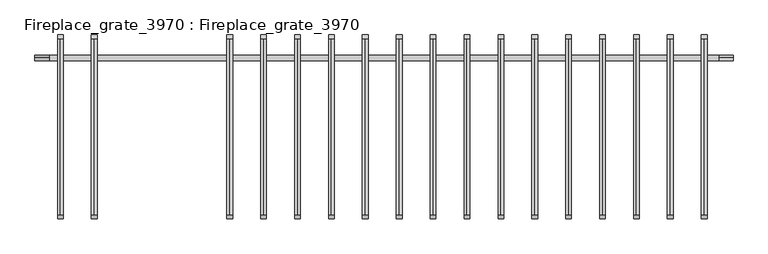
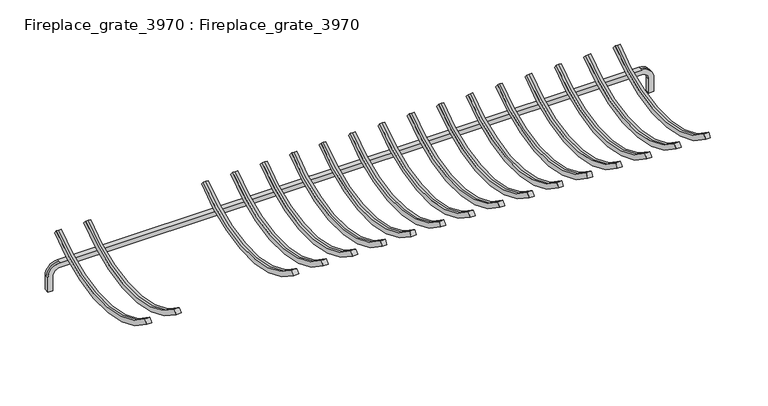
"""IFC4 building model written with IfcOpenShell, lengths in millimetres: proxy geometry, Fireplace_grate_3970 : Fireplace_grate_3970."""

from ifc_helpers import new_model, si_unit, frame, origin, place, context, project, spatial, polyline, circle_curve, source, transform, mapped, element, save
from ifc_brep_helpers import plane_surface, cylinder_surface, revolved_surface, advanced_brep


def fireplace_grate_3970_fireplace_grate_3970_47005f4a(model_context):
    return source(origin(), model_context, "Body", "AdvancedBrep", [
        advanced_brep(
        [(-209.55, 301.15, 0.0), (-209.55, 313.85, 0.0), (-196.85, 313.85, 0.0), (-196.85, 301.15, 0.0), (-209.55, 313.85, 38.1), (-177.8, 313.85, 69.85), (1328.6, 313.85, 69.85), (1360.35, 313.85, 38.1), (1360.35, 313.85, 0.0), (1347.65, 313.85, 0.0), (1347.65, 313.85, 38.1), (1328.6, 313.85, 57.15), (-177.8, 313.85, 57.15), (-196.85, 313.85, 38.1), (-196.85, 301.15, 38.1), (-177.8, 301.15, 57.15), (1328.6, 301.15, 57.15), (1347.65, 301.15, 38.1), (1347.65, 301.15, 0.0), (1360.35, 301.15, 0.0), (1360.35, 301.15, 38.1), (1328.6, 301.15, 69.85), (-177.8, 301.15, 69.85), (-209.55, 301.15, 38.1), (-209.55, 307.5, 38.1), (-177.8, 307.5, 69.85), (1328.6, 307.5, 69.85), (1360.35, 307.5, 38.1)],
        [
            (0, 1),
            (1, 2),
            (2, 3),
            (3, 0),
            (1, 4),
            (4, 5, circle_curve(frame((-177.8, 313.85, 38.1), z_axis=(0.0, 1.0, 0.0), x_axis=(-1.0, 0.0, 0.0)), 31.75)),
            (5, 6),
            (6, 7, circle_curve(frame((1328.6, 313.85, 38.1), z_axis=(0.0, 1.0, 0.0), x_axis=(0.0, 0.0, 1.0)), 31.75)),
            (7, 8),
            (8, 9),
            (9, 10),
            (10, 11, circle_curve(frame((1328.6, 313.85, 38.1), z_axis=(0.0, -1.0, 0.0), x_axis=(0.0, 0.0, 1.0)), 19.05)),
            (11, 12),
            (12, 13, circle_curve(frame((-177.8, 313.85, 38.1), z_axis=(0.0, -1.0, 0.0), x_axis=(-1.0, 0.0, 0.0)), 19.05)),
            (13, 2),
            (13, 14),
            (14, 3),
            (14, 15, circle_curve(frame((-177.8, 301.15, 38.1), z_axis=(0.0, 1.0, 0.0), x_axis=(-1.0, 0.0, 0.0)), 19.05)),
            (15, 16),
            (16, 17, circle_curve(frame((1328.6, 301.15, 38.1), z_axis=(0.0, 1.0, 0.0), x_axis=(0.0, 0.0, 1.0)), 19.05)),
            (17, 18),
            (18, 19),
            (19, 20),
            (20, 21, circle_curve(frame((1328.6, 301.15, 38.1), z_axis=(0.0, -1.0, 0.0), x_axis=(0.0, 0.0, 1.0)), 31.75)),
            (21, 22),
            (22, 23, circle_curve(frame((-177.8, 301.15, 38.1), z_axis=(0.0, -1.0, 0.0), x_axis=(-1.0, 0.0, 0.0)), 31.75)),
            (23, 0),
            (23, 24),
            (24, 4),
            (12, 15),
            (25, 24, circle_curve(frame((-177.8, 307.5, 38.1), z_axis=(0.0, -1.0, 0.0), x_axis=(-1.0, 0.0, 0.0)), 31.75)),
            (22, 25),
            (25, 5),
            (11, 16),
            (21, 26),
            (26, 6),
            (10, 17),
            (27, 26, circle_curve(frame((1328.6, 307.5, 38.1), z_axis=(0.0, -1.0, 0.0), x_axis=(0.0, 0.0, 1.0)), 31.75)),
            (20, 27),
            (27, 7),
            (8, 19),
            (18, 9),
        ],
        [
            plane_surface(frame((-203.2, 307.5, 0.0), z_axis=(0.0, 0.0, -1.0), x_axis=(0.0, -1.0, 0.0))),
            plane_surface(frame((-209.55, 313.85, 0.0), z_axis=(0.0, 1.0, 0.0), x_axis=(0.0, 0.0, 1.0))),
            plane_surface(frame((-196.85, 313.85, 0.0), z_axis=(1.0, 0.0, 0.0), x_axis=(0.0, 0.0, 1.0))),
            plane_surface(frame((-196.85, 301.15, 0.0), z_axis=(0.0, -1.0, 0.0), x_axis=(0.0, 0.0, 1.0))),
            plane_surface(frame((-209.55, 307.5, 0.0), z_axis=(-1.0, 0.0, 0.0), x_axis=(0.0, 0.0, 1.0))),
            revolved_surface(polyline([(-196.85000000000002, 313.85, 38.1), (-196.85000000000002, 301.15, 38.1)]), (-177.8, 307.5, 38.1), (0.0, 1.0, 0.0)),
            cylinder_surface(frame((-177.8, 307.5, 38.1), z_axis=(0.0, 1.0, 0.0), x_axis=(-1.0, 0.0, 0.0)), 31.75),
            plane_surface(frame((-177.8, 313.85, 57.15), z_axis=(0.0, 0.0, -1.0), x_axis=(1.0, 0.0, 0.0))),
            plane_surface(frame((-177.8, 307.5, 69.85), z_axis=(0.0, 0.0, 1.0), x_axis=(1.0, 0.0, 0.0))),
            revolved_surface(polyline([(1328.6, 313.85, 57.150000000000006), (1328.6, 301.15, 57.150000000000006)]), (1328.6, 307.5, 38.1), (0.0, 1.0, 0.0)),
            cylinder_surface(frame((1328.6, 307.5, 38.1), z_axis=(0.0, 1.0, 0.0), x_axis=(0.0, 0.0, 1.0)), 31.75),
            plane_surface(frame((1354.0, 307.5, 0.0), z_axis=(0.0, 0.0, -1.0), x_axis=(0.0, -1.0, 0.0))),
            plane_surface(frame((1347.65, 313.85, 38.1), z_axis=(-1.0, 0.0, 0.0), x_axis=(0.0, 0.0, -1.0))),
            plane_surface(frame((1360.35, 307.5, 38.1), z_axis=(1.0, 0.0, 0.0), x_axis=(0.0, 0.0, -1.0))),
        ],
        [
            (0, [[1, 2, 3, 4]]),
            (1, [[-2, 5, 6, 7, 8, 9, 10, 11, 12, 13, 14, 15]]),
            (2, [[-3, -15, 16, 17]]),
            (3, [[-4, -17, 18, 19, 20, 21, 22, 23, 24, 25, 26, 27]]),
            (4, [[-27, 28, 29, -5, -1]]),
            (5, [[-18, -16, -14, 30]]),
            (6, [[31, -28, -26, 32]]),
            (6, [[-6, -29, -31, 33]]),
            (7, [[-30, -13, 34, -19]]),
            (8, [[-33, -32, -25, 35, 36, -7]]),
            (9, [[-20, -34, -12, 37]]),
            (10, [[38, -35, -24, 39]]),
            (10, [[-8, -36, -38, 40]]),
            (11, [[41, -22, 42, -10]]),
            (12, [[-37, -11, -42, -21]]),
            (13, [[-40, -39, -23, -41, -9]]),
        ],
    ),
        advanced_brep(
        [(1301.75, -46.4131906, 119.6971748), (1295.4, -46.4131906, 119.6971748), (1289.05, -46.4131906, 119.6971748), (1289.05, -54.5280147, 109.927854), (1301.75, -54.5280147, 109.927854), (1301.75, 351.2131906, 119.6971748), (1301.75, 359.3280147, 109.927854), (1289.05, 359.3280147, 109.927854), (1289.05, 351.2131906, 119.6971748), (1295.4, 351.2131906, 119.6971748)],
        [
            (0, 1),
            (1, 2),
            (2, 3),
            (3, 4),
            (4, 0),
            (5, 6),
            (6, 7),
            (7, 8),
            (8, 9),
            (9, 5),
            (9, 1, circle_curve(frame((1295.4, 152.4, 359.0455355), z_axis=(-1.0, 0.0, 0.0), x_axis=(0.0, -0.6389625279221011, -0.7692378617250962)), 311.15)),
            (0, 5, circle_curve(frame((1301.75, 152.4, 359.0455355), z_axis=(1.0, 0.0, 0.0), x_axis=(0.0, -0.6389625279221011, -0.7692378617250962)), 311.15)),
            (8, 2, circle_curve(frame((1289.05, 152.4, 359.0455355), z_axis=(-1.0, 0.0, 0.0), x_axis=(0.0, -0.6389625279221011, -0.7692378617250962)), 311.15)),
            (7, 3, circle_curve(frame((1289.05, 152.4, 359.0455355), z_axis=(-1.0, 0.0, 0.0), x_axis=(0.0, -0.6389625279221011, -0.7692378617250962)), 323.85)),
            (6, 4, circle_curve(frame((1301.75, 152.4, 359.0455355), z_axis=(-1.0, 0.0, 0.0), x_axis=(0.0, -0.6389625279221011, -0.7692378617250962)), 323.85)),
        ],
        [
            plane_surface(frame((1295.4, -50.4706026, 114.8125144), z_axis=(0.0, -0.7692378617250962, 0.6389625279221011), x_axis=(1.0, 0.0, 0.0))),
            plane_surface(frame((1295.4, 355.2706026, 114.8125144), z_axis=(0.0, 0.7692378617251086, 0.6389625279220862), x_axis=(1.0, 0.0, 0.0))),
            revolved_surface(polyline([(1301.75, -46.41319056296172, 119.69717482423636), (1295.4, -46.41319056296172, 119.69717482423636)]), (1295.4, 152.4, 359.0455355), (1.0, 0.0, 0.0)),
            revolved_surface(polyline([(1295.4, -46.41319056296172, 119.69717482423636), (1289.05, -46.41319056296172, 119.69717482423636)]), (1295.4, 152.4, 359.0455355), (1.0, 0.0, 0.0)),
            plane_surface(frame((1289.05, 152.4, 359.0455355), z_axis=(-1.0, 0.0, 0.0), x_axis=(0.0, -0.6389625279221011, -0.7692378617250962))),
            cylinder_surface(frame((1295.4, 152.4, 359.0455355), z_axis=(1.0, 0.0, 0.0), x_axis=(0.0, -0.6389625279221011, -0.7692378617250962)), 323.85),
            plane_surface(frame((1301.75, 152.4, 359.0455355), z_axis=(1.0, 0.0, 0.0), x_axis=(0.0, -0.6389625279221011, -0.7692378617250962))),
        ],
        [
            (0, [[1, 2, 3, 4, 5]]),
            (1, [[6, 7, 8, 9, 10]]),
            (2, [[11, -1, 12, -10]]),
            (3, [[13, -2, -11, -9]]),
            (4, [[14, -3, -13, -8]]),
            (5, [[15, -4, -14, -7]]),
            (6, [[-12, -5, -15, -6]]),
        ],
    ),
        advanced_brep(
        [(1225.55, -46.4131906, 119.6971748), (1219.2, -46.4131906, 119.6971748), (1212.85, -46.4131906, 119.6971748), (1212.85, -54.5280147, 109.927854), (1225.55, -54.5280147, 109.927854), (1225.55, 351.2131906, 119.6971748), (1225.55, 359.3280147, 109.927854), (1212.85, 359.3280147, 109.927854), (1212.85, 351.2131906, 119.6971748), (1219.2, 351.2131906, 119.6971748)],
        [
            (0, 1),
            (1, 2),
            (2, 3),
            (3, 4),
            (4, 0),
            (5, 6),
            (6, 7),
            (7, 8),
            (8, 9),
            (9, 5),
            (9, 1, circle_curve(frame((1219.2, 152.4, 359.0455355), z_axis=(-1.0, 0.0, 0.0), x_axis=(0.0, -0.6389625279221011, -0.7692378617250962)), 311.15)),
            (0, 5, circle_curve(frame((1225.55, 152.4, 359.0455355), z_axis=(1.0, 0.0, 0.0), x_axis=(0.0, -0.6389625279221011, -0.7692378617250962)), 311.15)),
            (8, 2, circle_curve(frame((1212.85, 152.4, 359.0455355), z_axis=(-1.0, 0.0, 0.0), x_axis=(0.0, -0.6389625279221011, -0.7692378617250962)), 311.15)),
            (7, 3, circle_curve(frame((1212.85, 152.4, 359.0455355), z_axis=(-1.0, 0.0, 0.0), x_axis=(0.0, -0.6389625279221011, -0.7692378617250962)), 323.85)),
            (6, 4, circle_curve(frame((1225.55, 152.4, 359.0455355), z_axis=(-1.0, 0.0, 0.0), x_axis=(0.0, -0.6389625279221011, -0.7692378617250962)), 323.85)),
        ],
        [
            plane_surface(frame((1219.2, -50.4706026, 114.8125144), z_axis=(0.0, -0.7692378617250962, 0.6389625279221011), x_axis=(1.0, 0.0, 0.0))),
            plane_surface(frame((1219.2, 355.2706026, 114.8125144), z_axis=(0.0, 0.7692378617251086, 0.6389625279220862), x_axis=(1.0, 0.0, 0.0))),
            revolved_surface(polyline([(1225.55, -46.41319056296172, 119.69717482423636), (1219.2, -46.41319056296172, 119.69717482423636)]), (1219.2, 152.4, 359.0455355), (1.0, 0.0, 0.0)),
            revolved_surface(polyline([(1219.2, -46.41319056296172, 119.69717482423636), (1212.85, -46.41319056296172, 119.69717482423636)]), (1219.2, 152.4, 359.0455355), (1.0, 0.0, 0.0)),
            plane_surface(frame((1212.85, 152.4, 359.0455355), z_axis=(-1.0, 0.0, 0.0), x_axis=(0.0, -0.6389625279221011, -0.7692378617250962))),
            cylinder_surface(frame((1219.2, 152.4, 359.0455355), z_axis=(1.0, 0.0, 0.0), x_axis=(0.0, -0.6389625279221011, -0.7692378617250962)), 323.85),
            plane_surface(frame((1225.55, 152.4, 359.0455355), z_axis=(1.0, 0.0, 0.0), x_axis=(0.0, -0.6389625279221011, -0.7692378617250962))),
        ],
        [
            (0, [[1, 2, 3, 4, 5]]),
            (1, [[6, 7, 8, 9, 10]]),
            (2, [[11, -1, 12, -10]]),
            (3, [[13, -2, -11, -9]]),
            (4, [[14, -3, -13, -8]]),
            (5, [[15, -4, -14, -7]]),
            (6, [[-12, -5, -15, -6]]),
        ],
    ),
        advanced_brep(
        [(1149.35, -46.4131906, 119.6971748), (1143.0, -46.4131906, 119.6971748), (1136.65, -46.4131906, 119.6971748), (1136.65, -54.5280147, 109.927854), (1149.35, -54.5280147, 109.927854), (1149.35, 351.2131906, 119.6971748), (1149.35, 359.3280147, 109.927854), (1136.65, 359.3280147, 109.927854), (1136.65, 351.2131906, 119.6971748), (1143.0, 351.2131906, 119.6971748)],
        [
            (0, 1),
            (1, 2),
            (2, 3),
            (3, 4),
            (4, 0),
            (5, 6),
            (6, 7),
            (7, 8),
            (8, 9),
            (9, 5),
            (9, 1, circle_curve(frame((1143.0, 152.4, 359.0455355), z_axis=(-1.0, 0.0, 0.0), x_axis=(0.0, -0.6389625279221011, -0.7692378617250962)), 311.15)),
            (0, 5, circle_curve(frame((1149.35, 152.4, 359.0455355), z_axis=(1.0, 0.0, 0.0), x_axis=(0.0, -0.6389625279221011, -0.7692378617250962)), 311.15)),
            (8, 2, circle_curve(frame((1136.65, 152.4, 359.0455355), z_axis=(-1.0, 0.0, 0.0), x_axis=(0.0, -0.6389625279221011, -0.7692378617250962)), 311.15)),
            (7, 3, circle_curve(frame((1136.65, 152.4, 359.0455355), z_axis=(-1.0, 0.0, 0.0), x_axis=(0.0, -0.6389625279221011, -0.7692378617250962)), 323.85)),
            (6, 4, circle_curve(frame((1149.35, 152.4, 359.0455355), z_axis=(-1.0, 0.0, 0.0), x_axis=(0.0, -0.6389625279221011, -0.7692378617250962)), 323.85)),
        ],
        [
            plane_surface(frame((1143.0, -50.4706026, 114.8125144), z_axis=(0.0, -0.7692378617250962, 0.6389625279221011), x_axis=(1.0, 0.0, 0.0))),
            plane_surface(frame((1143.0, 355.2706026, 114.8125144), z_axis=(0.0, 0.7692378617251086, 0.6389625279220862), x_axis=(1.0, 0.0, 0.0))),
            revolved_surface(polyline([(1149.35, -46.41319056296172, 119.69717482423636), (1143.0, -46.41319056296172, 119.69717482423636)]), (1143.0, 152.4, 359.0455355), (1.0, 0.0, 0.0)),
            revolved_surface(polyline([(1143.0, -46.41319056296172, 119.69717482423636), (1136.65, -46.41319056296172, 119.69717482423636)]), (1143.0, 152.4, 359.0455355), (1.0, 0.0, 0.0)),
            plane_surface(frame((1136.65, 152.4, 359.0455355), z_axis=(-1.0, 0.0, 0.0), x_axis=(0.0, -0.6389625279221011, -0.7692378617250962))),
            cylinder_surface(frame((1143.0, 152.4, 359.0455355), z_axis=(1.0, 0.0, 0.0), x_axis=(0.0, -0.6389625279221011, -0.7692378617250962)), 323.85),
            plane_surface(frame((1149.35, 152.4, 359.0455355), z_axis=(1.0, 0.0, 0.0), x_axis=(0.0, -0.6389625279221011, -0.7692378617250962))),
        ],
        [
            (0, [[1, 2, 3, 4, 5]]),
            (1, [[6, 7, 8, 9, 10]]),
            (2, [[11, -1, 12, -10]]),
            (3, [[13, -2, -11, -9]]),
            (4, [[14, -3, -13, -8]]),
            (5, [[15, -4, -14, -7]]),
            (6, [[-12, -5, -15, -6]]),
        ],
    ),
        advanced_brep(
        [(1073.15, -46.4131906, 119.6971748), (1066.8, -46.4131906, 119.6971748), (1060.45, -46.4131906, 119.6971748), (1060.45, -54.5280147, 109.927854), (1073.15, -54.5280147, 109.927854), (1073.15, 351.2131906, 119.6971748), (1073.15, 359.3280147, 109.927854), (1060.45, 359.3280147, 109.927854), (1060.45, 351.2131906, 119.6971748), (1066.8, 351.2131906, 119.6971748)],
        [
            (0, 1),
            (1, 2),
            (2, 3),
            (3, 4),
            (4, 0),
            (5, 6),
            (6, 7),
            (7, 8),
            (8, 9),
            (9, 5),
            (9, 1, circle_curve(frame((1066.8, 152.4, 359.0455355), z_axis=(-1.0, 0.0, 0.0), x_axis=(0.0, -0.6389625279221011, -0.7692378617250962)), 311.15)),
            (0, 5, circle_curve(frame((1073.15, 152.4, 359.0455355), z_axis=(1.0, 0.0, 0.0), x_axis=(0.0, -0.6389625279221011, -0.7692378617250962)), 311.15)),
            (8, 2, circle_curve(frame((1060.45, 152.4, 359.0455355), z_axis=(-1.0, 0.0, 0.0), x_axis=(0.0, -0.6389625279221011, -0.7692378617250962)), 311.15)),
            (7, 3, circle_curve(frame((1060.45, 152.4, 359.0455355), z_axis=(-1.0, 0.0, 0.0), x_axis=(0.0, -0.6389625279221011, -0.7692378617250962)), 323.85)),
            (6, 4, circle_curve(frame((1073.15, 152.4, 359.0455355), z_axis=(-1.0, 0.0, 0.0), x_axis=(0.0, -0.6389625279221011, -0.7692378617250962)), 323.85)),
        ],
        [
            plane_surface(frame((1066.8, -50.4706026, 114.8125144), z_axis=(0.0, -0.7692378617250962, 0.6389625279221011), x_axis=(1.0, 0.0, 0.0))),
            plane_surface(frame((1066.8, 355.2706026, 114.8125144), z_axis=(0.0, 0.7692378617251086, 0.6389625279220862), x_axis=(1.0, 0.0, 0.0))),
            revolved_surface(polyline([(1073.15, -46.41319056296172, 119.69717482423636), (1066.8, -46.41319056296172, 119.69717482423636)]), (1066.8, 152.4, 359.0455355), (1.0, 0.0, 0.0)),
            revolved_surface(polyline([(1066.8, -46.41319056296172, 119.69717482423636), (1060.45, -46.41319056296172, 119.69717482423636)]), (1066.8, 152.4, 359.0455355), (1.0, 0.0, 0.0)),
            plane_surface(frame((1060.45, 152.4, 359.0455355), z_axis=(-1.0, 0.0, 0.0), x_axis=(0.0, -0.6389625279221011, -0.7692378617250962))),
            cylinder_surface(frame((1066.8, 152.4, 359.0455355), z_axis=(1.0, 0.0, 0.0), x_axis=(0.0, -0.6389625279221011, -0.7692378617250962)), 323.85),
            plane_surface(frame((1073.15, 152.4, 359.0455355), z_axis=(1.0, 0.0, 0.0), x_axis=(0.0, -0.6389625279221011, -0.7692378617250962))),
        ],
        [
            (0, [[1, 2, 3, 4, 5]]),
            (1, [[6, 7, 8, 9, 10]]),
            (2, [[11, -1, 12, -10]]),
            (3, [[13, -2, -11, -9]]),
            (4, [[14, -3, -13, -8]]),
            (5, [[15, -4, -14, -7]]),
            (6, [[-12, -5, -15, -6]]),
        ],
    ),
        advanced_brep(
        [(996.95, -46.4131906, 119.6971748), (990.6, -46.4131906, 119.6971748), (984.25, -46.4131906, 119.6971748), (984.25, -54.5280147, 109.927854), (996.95, -54.5280147, 109.927854), (996.95, 351.2131906, 119.6971748), (996.95, 359.3280147, 109.927854), (984.25, 359.3280147, 109.927854), (984.25, 351.2131906, 119.6971748), (990.6, 351.2131906, 119.6971748)],
        [
            (0, 1),
            (1, 2),
            (2, 3),
            (3, 4),
            (4, 0),
            (5, 6),
            (6, 7),
            (7, 8),
            (8, 9),
            (9, 5),
            (9, 1, circle_curve(frame((990.6, 152.4, 359.0455355), z_axis=(-1.0, 0.0, 0.0), x_axis=(0.0, -0.6389625279221011, -0.7692378617250962)), 311.15)),
            (0, 5, circle_curve(frame((996.95, 152.4, 359.0455355), z_axis=(1.0, 0.0, 0.0), x_axis=(0.0, -0.6389625279221011, -0.7692378617250962)), 311.15)),
            (8, 2, circle_curve(frame((984.25, 152.4, 359.0455355), z_axis=(-1.0, 0.0, 0.0), x_axis=(0.0, -0.6389625279221011, -0.7692378617250962)), 311.15)),
            (7, 3, circle_curve(frame((984.25, 152.4, 359.0455355), z_axis=(-1.0, 0.0, 0.0), x_axis=(0.0, -0.6389625279221011, -0.7692378617250962)), 323.85)),
            (6, 4, circle_curve(frame((996.95, 152.4, 359.0455355), z_axis=(-1.0, 0.0, 0.0), x_axis=(0.0, -0.6389625279221011, -0.7692378617250962)), 323.85)),
        ],
        [
            plane_surface(frame((990.6, -50.4706026, 114.8125144), z_axis=(0.0, -0.7692378617250962, 0.6389625279221011), x_axis=(1.0, 0.0, 0.0))),
            plane_surface(frame((990.6, 355.2706026, 114.8125144), z_axis=(0.0, 0.7692378617251086, 0.6389625279220862), x_axis=(1.0, 0.0, 0.0))),
            revolved_surface(polyline([(996.95, -46.41319056296172, 119.69717482423636), (990.6, -46.41319056296172, 119.69717482423636)]), (990.6, 152.4, 359.0455355), (1.0, 0.0, 0.0)),
            revolved_surface(polyline([(990.6, -46.41319056296172, 119.69717482423636), (984.25, -46.41319056296172, 119.69717482423636)]), (990.6, 152.4, 359.0455355), (1.0, 0.0, 0.0)),
            plane_surface(frame((984.25, 152.4, 359.0455355), z_axis=(-1.0, 0.0, 0.0), x_axis=(0.0, -0.6389625279221011, -0.7692378617250962))),
            cylinder_surface(frame((990.6, 152.4, 359.0455355), z_axis=(1.0, 0.0, 0.0), x_axis=(0.0, -0.6389625279221011, -0.7692378617250962)), 323.85),
            plane_surface(frame((996.95, 152.4, 359.0455355), z_axis=(1.0, 0.0, 0.0), x_axis=(0.0, -0.6389625279221011, -0.7692378617250962))),
        ],
        [
            (0, [[1, 2, 3, 4, 5]]),
            (1, [[6, 7, 8, 9, 10]]),
            (2, [[11, -1, 12, -10]]),
            (3, [[13, -2, -11, -9]]),
            (4, [[14, -3, -13, -8]]),
            (5, [[15, -4, -14, -7]]),
            (6, [[-12, -5, -15, -6]]),
        ],
    ),
        advanced_brep(
        [(920.75, -46.4131906, 119.6971748), (914.4, -46.4131906, 119.6971748), (908.05, -46.4131906, 119.6971748), (908.05, -54.5280147, 109.927854), (920.75, -54.5280147, 109.927854), (920.75, 351.2131906, 119.6971748), (920.75, 359.3280147, 109.927854), (908.05, 359.3280147, 109.927854), (908.05, 351.2131906, 119.6971748), (914.4, 351.2131906, 119.6971748)],
        [
            (0, 1),
            (1, 2),
            (2, 3),
            (3, 4),
            (4, 0),
            (5, 6),
            (6, 7),
            (7, 8),
            (8, 9),
            (9, 5),
            (9, 1, circle_curve(frame((914.4, 152.4, 359.0455355), z_axis=(-1.0, 0.0, 0.0), x_axis=(0.0, -0.6389625279221011, -0.7692378617250962)), 311.15)),
            (0, 5, circle_curve(frame((920.75, 152.4, 359.0455355), z_axis=(1.0, 0.0, 0.0), x_axis=(0.0, -0.6389625279221011, -0.7692378617250962)), 311.15)),
            (8, 2, circle_curve(frame((908.05, 152.4, 359.0455355), z_axis=(-1.0, 0.0, 0.0), x_axis=(0.0, -0.6389625279221011, -0.7692378617250962)), 311.15)),
            (7, 3, circle_curve(frame((908.05, 152.4, 359.0455355), z_axis=(-1.0, 0.0, 0.0), x_axis=(0.0, -0.6389625279221011, -0.7692378617250962)), 323.85)),
            (6, 4, circle_curve(frame((920.75, 152.4, 359.0455355), z_axis=(-1.0, 0.0, 0.0), x_axis=(0.0, -0.6389625279221011, -0.7692378617250962)), 323.85)),
        ],
        [
            plane_surface(frame((914.4, -50.4706026, 114.8125144), z_axis=(0.0, -0.7692378617250962, 0.6389625279221011), x_axis=(1.0, 0.0, 0.0))),
            plane_surface(frame((914.4, 355.2706026, 114.8125144), z_axis=(0.0, 0.7692378617251086, 0.6389625279220862), x_axis=(1.0, 0.0, 0.0))),
            revolved_surface(polyline([(920.75, -46.41319056296172, 119.69717482423636), (914.4, -46.41319056296172, 119.69717482423636)]), (914.4, 152.4, 359.0455355), (1.0, 0.0, 0.0)),
            revolved_surface(polyline([(914.4, -46.41319056296172, 119.69717482423636), (908.05, -46.41319056296172, 119.69717482423636)]), (914.4, 152.4, 359.0455355), (1.0, 0.0, 0.0)),
            plane_surface(frame((908.05, 152.4, 359.0455355), z_axis=(-1.0, 0.0, 0.0), x_axis=(0.0, -0.6389625279221011, -0.7692378617250962))),
            cylinder_surface(frame((914.4, 152.4, 359.0455355), z_axis=(1.0, 0.0, 0.0), x_axis=(0.0, -0.6389625279221011, -0.7692378617250962)), 323.85),
            plane_surface(frame((920.75, 152.4, 359.0455355), z_axis=(1.0, 0.0, 0.0), x_axis=(0.0, -0.6389625279221011, -0.7692378617250962))),
        ],
        [
            (0, [[1, 2, 3, 4, 5]]),
            (1, [[6, 7, 8, 9, 10]]),
            (2, [[11, -1, 12, -10]]),
            (3, [[13, -2, -11, -9]]),
            (4, [[14, -3, -13, -8]]),
            (5, [[15, -4, -14, -7]]),
            (6, [[-12, -5, -15, -6]]),
        ],
    ),
        advanced_brep(
        [(844.55, -46.4131906, 119.6971748), (838.2, -46.4131906, 119.6971748), (831.85, -46.4131906, 119.6971748), (831.85, -54.5280147, 109.927854), (844.55, -54.5280147, 109.927854), (844.55, 351.2131906, 119.6971748), (844.55, 359.3280147, 109.927854), (831.85, 359.3280147, 109.927854), (831.85, 351.2131906, 119.6971748), (838.2, 351.2131906, 119.6971748)],
        [
            (0, 1),
            (1, 2),
            (2, 3),
            (3, 4),
            (4, 0),
            (5, 6),
            (6, 7),
            (7, 8),
            (8, 9),
            (9, 5),
            (9, 1, circle_curve(frame((838.2, 152.4, 359.0455355), z_axis=(-1.0, 0.0, 0.0), x_axis=(0.0, -0.6389625279221011, -0.7692378617250962)), 311.15)),
            (0, 5, circle_curve(frame((844.55, 152.4, 359.0455355), z_axis=(1.0, 0.0, 0.0), x_axis=(0.0, -0.6389625279221011, -0.7692378617250962)), 311.15)),
            (8, 2, circle_curve(frame((831.85, 152.4, 359.0455355), z_axis=(-1.0, 0.0, 0.0), x_axis=(0.0, -0.6389625279221011, -0.7692378617250962)), 311.15)),
            (7, 3, circle_curve(frame((831.85, 152.4, 359.0455355), z_axis=(-1.0, 0.0, 0.0), x_axis=(0.0, -0.6389625279221011, -0.7692378617250962)), 323.85)),
            (6, 4, circle_curve(frame((844.55, 152.4, 359.0455355), z_axis=(-1.0, 0.0, 0.0), x_axis=(0.0, -0.6389625279221011, -0.7692378617250962)), 323.85)),
        ],
        [
            plane_surface(frame((838.2, -50.4706026, 114.8125144), z_axis=(0.0, -0.7692378617250962, 0.6389625279221011), x_axis=(1.0, 0.0, 0.0))),
            plane_surface(frame((838.2, 355.2706026, 114.8125144), z_axis=(0.0, 0.7692378617251086, 0.6389625279220862), x_axis=(1.0, 0.0, 0.0))),
            revolved_surface(polyline([(844.55, -46.41319056296172, 119.69717482423636), (838.2, -46.41319056296172, 119.69717482423636)]), (838.2, 152.4, 359.0455355), (1.0, 0.0, 0.0)),
            revolved_surface(polyline([(838.2, -46.41319056296172, 119.69717482423636), (831.85, -46.41319056296172, 119.69717482423636)]), (838.2, 152.4, 359.0455355), (1.0, 0.0, 0.0)),
            plane_surface(frame((831.85, 152.4, 359.0455355), z_axis=(-1.0, 0.0, 0.0), x_axis=(0.0, -0.6389625279221011, -0.7692378617250962))),
            cylinder_surface(frame((838.2, 152.4, 359.0455355), z_axis=(1.0, 0.0, 0.0), x_axis=(0.0, -0.6389625279221011, -0.7692378617250962)), 323.85),
            plane_surface(frame((844.55, 152.4, 359.0455355), z_axis=(1.0, 0.0, 0.0), x_axis=(0.0, -0.6389625279221011, -0.7692378617250962))),
        ],
        [
            (0, [[1, 2, 3, 4, 5]]),
            (1, [[6, 7, 8, 9, 10]]),
            (2, [[11, -1, 12, -10]]),
            (3, [[13, -2, -11, -9]]),
            (4, [[14, -3, -13, -8]]),
            (5, [[15, -4, -14, -7]]),
            (6, [[-12, -5, -15, -6]]),
        ],
    ),
        advanced_brep(
        [(768.35, -46.4131906, 119.6971748), (762.0, -46.4131906, 119.6971748), (755.65, -46.4131906, 119.6971748), (755.65, -54.5280147, 109.927854), (768.35, -54.5280147, 109.927854), (768.35, 351.2131906, 119.6971748), (768.35, 359.3280147, 109.927854), (755.65, 359.3280147, 109.927854), (755.65, 351.2131906, 119.6971748), (762.0, 351.2131906, 119.6971748)],
        [
            (0, 1),
            (1, 2),
            (2, 3),
            (3, 4),
            (4, 0),
            (5, 6),
            (6, 7),
            (7, 8),
            (8, 9),
            (9, 5),
            (9, 1, circle_curve(frame((762.0, 152.4, 359.0455355), z_axis=(-1.0, 0.0, 0.0), x_axis=(0.0, -0.6389625279221011, -0.7692378617250962)), 311.15)),
            (0, 5, circle_curve(frame((768.35, 152.4, 359.0455355), z_axis=(1.0, 0.0, 0.0), x_axis=(0.0, -0.6389625279221011, -0.7692378617250962)), 311.15)),
            (8, 2, circle_curve(frame((755.65, 152.4, 359.0455355), z_axis=(-1.0, 0.0, 0.0), x_axis=(0.0, -0.6389625279221011, -0.7692378617250962)), 311.15)),
            (7, 3, circle_curve(frame((755.65, 152.4, 359.0455355), z_axis=(-1.0, 0.0, 0.0), x_axis=(0.0, -0.6389625279221011, -0.7692378617250962)), 323.85)),
            (6, 4, circle_curve(frame((768.35, 152.4, 359.0455355), z_axis=(-1.0, 0.0, 0.0), x_axis=(0.0, -0.6389625279221011, -0.7692378617250962)), 323.85)),
        ],
        [
            plane_surface(frame((762.0, -50.4706026, 114.8125144), z_axis=(0.0, -0.7692378617250962, 0.6389625279221011), x_axis=(1.0, 0.0, 0.0))),
            plane_surface(frame((762.0, 355.2706026, 114.8125144), z_axis=(0.0, 0.7692378617251086, 0.6389625279220862), x_axis=(1.0, 0.0, 0.0))),
            revolved_surface(polyline([(768.35, -46.41319056296172, 119.69717482423636), (762.0, -46.41319056296172, 119.69717482423636)]), (762.0, 152.4, 359.0455355), (1.0, 0.0, 0.0)),
            revolved_surface(polyline([(762.0, -46.41319056296172, 119.69717482423636), (755.65, -46.41319056296172, 119.69717482423636)]), (762.0, 152.4, 359.0455355), (1.0, 0.0, 0.0)),
            plane_surface(frame((755.65, 152.4, 359.0455355), z_axis=(-1.0, 0.0, 0.0), x_axis=(0.0, -0.6389625279221011, -0.7692378617250962))),
            cylinder_surface(frame((762.0, 152.4, 359.0455355), z_axis=(1.0, 0.0, 0.0), x_axis=(0.0, -0.6389625279221011, -0.7692378617250962)), 323.85),
            plane_surface(frame((768.35, 152.4, 359.0455355), z_axis=(1.0, 0.0, 0.0), x_axis=(0.0, -0.6389625279221011, -0.7692378617250962))),
        ],
        [
            (0, [[1, 2, 3, 4, 5]]),
            (1, [[6, 7, 8, 9, 10]]),
            (2, [[11, -1, 12, -10]]),
            (3, [[13, -2, -11, -9]]),
            (4, [[14, -3, -13, -8]]),
            (5, [[15, -4, -14, -7]]),
            (6, [[-12, -5, -15, -6]]),
        ],
    ),
        advanced_brep(
        [(692.15, -46.4131906, 119.6971748), (685.8, -46.4131906, 119.6971748), (679.45, -46.4131906, 119.6971748), (679.45, -54.5280147, 109.927854), (692.15, -54.5280147, 109.927854), (692.15, 351.2131906, 119.6971748), (692.15, 359.3280147, 109.927854), (679.45, 359.3280147, 109.927854), (679.45, 351.2131906, 119.6971748), (685.8, 351.2131906, 119.6971748)],
        [
            (0, 1),
            (1, 2),
            (2, 3),
            (3, 4),
            (4, 0),
            (5, 6),
            (6, 7),
            (7, 8),
            (8, 9),
            (9, 5),
            (9, 1, circle_curve(frame((685.8, 152.4, 359.0455355), z_axis=(-1.0, 0.0, 0.0), x_axis=(0.0, -0.6389625279221011, -0.7692378617250962)), 311.15)),
            (0, 5, circle_curve(frame((692.15, 152.4, 359.0455355), z_axis=(1.0, 0.0, 0.0), x_axis=(0.0, -0.6389625279221011, -0.7692378617250962)), 311.15)),
            (8, 2, circle_curve(frame((679.45, 152.4, 359.0455355), z_axis=(-1.0, 0.0, 0.0), x_axis=(0.0, -0.6389625279221011, -0.7692378617250962)), 311.15)),
            (7, 3, circle_curve(frame((679.45, 152.4, 359.0455355), z_axis=(-1.0, 0.0, 0.0), x_axis=(0.0, -0.6389625279221011, -0.7692378617250962)), 323.85)),
            (6, 4, circle_curve(frame((692.15, 152.4, 359.0455355), z_axis=(-1.0, 0.0, 0.0), x_axis=(0.0, -0.6389625279221011, -0.7692378617250962)), 323.85)),
        ],
        [
            plane_surface(frame((685.8, -50.4706026, 114.8125144), z_axis=(0.0, -0.7692378617250962, 0.6389625279221011), x_axis=(1.0, 0.0, 0.0))),
            plane_surface(frame((685.8, 355.2706026, 114.8125144), z_axis=(0.0, 0.7692378617251086, 0.6389625279220862), x_axis=(1.0, 0.0, 0.0))),
            revolved_surface(polyline([(692.15, -46.41319056296172, 119.69717482423636), (685.8, -46.41319056296172, 119.69717482423636)]), (685.8, 152.4, 359.0455355), (1.0, 0.0, 0.0)),
            revolved_surface(polyline([(685.8, -46.41319056296172, 119.69717482423636), (679.45, -46.41319056296172, 119.69717482423636)]), (685.8, 152.4, 359.0455355), (1.0, 0.0, 0.0)),
            plane_surface(frame((679.45, 152.4, 359.0455355), z_axis=(-1.0, 0.0, 0.0), x_axis=(0.0, -0.6389625279221011, -0.7692378617250962))),
            cylinder_surface(frame((685.8, 152.4, 359.0455355), z_axis=(1.0, 0.0, 0.0), x_axis=(0.0, -0.6389625279221011, -0.7692378617250962)), 323.85),
            plane_surface(frame((692.15, 152.4, 359.0455355), z_axis=(1.0, 0.0, 0.0), x_axis=(0.0, -0.6389625279221011, -0.7692378617250962))),
        ],
        [
            (0, [[1, 2, 3, 4, 5]]),
            (1, [[6, 7, 8, 9, 10]]),
            (2, [[11, -1, 12, -10]]),
            (3, [[13, -2, -11, -9]]),
            (4, [[14, -3, -13, -8]]),
            (5, [[15, -4, -14, -7]]),
            (6, [[-12, -5, -15, -6]]),
        ],
    ),
        advanced_brep(
        [(615.95, -46.4131906, 119.6971748), (609.6, -46.4131906, 119.6971748), (603.25, -46.4131906, 119.6971748), (603.25, -54.5280147, 109.927854), (615.95, -54.5280147, 109.927854), (615.95, 351.2131906, 119.6971748), (615.95, 359.3280147, 109.927854), (603.25, 359.3280147, 109.927854), (603.25, 351.2131906, 119.6971748), (609.6, 351.2131906, 119.6971748)],
        [
            (0, 1),
            (1, 2),
            (2, 3),
            (3, 4),
            (4, 0),
            (5, 6),
            (6, 7),
            (7, 8),
            (8, 9),
            (9, 5),
            (9, 1, circle_curve(frame((609.6, 152.4, 359.0455355), z_axis=(-1.0, 0.0, 0.0), x_axis=(0.0, -0.6389625279221011, -0.7692378617250962)), 311.15)),
            (0, 5, circle_curve(frame((615.95, 152.4, 359.0455355), z_axis=(1.0, 0.0, 0.0), x_axis=(0.0, -0.6389625279221011, -0.7692378617250962)), 311.15)),
            (8, 2, circle_curve(frame((603.25, 152.4, 359.0455355), z_axis=(-1.0, 0.0, 0.0), x_axis=(0.0, -0.6389625279221011, -0.7692378617250962)), 311.15)),
            (7, 3, circle_curve(frame((603.25, 152.4, 359.0455355), z_axis=(-1.0, 0.0, 0.0), x_axis=(0.0, -0.6389625279221011, -0.7692378617250962)), 323.85)),
            (6, 4, circle_curve(frame((615.95, 152.4, 359.0455355), z_axis=(-1.0, 0.0, 0.0), x_axis=(0.0, -0.6389625279221011, -0.7692378617250962)), 323.85)),
        ],
        [
            plane_surface(frame((609.6, -50.4706026, 114.8125144), z_axis=(0.0, -0.7692378617250962, 0.6389625279221011), x_axis=(1.0, 0.0, 0.0))),
            plane_surface(frame((609.6, 355.2706026, 114.8125144), z_axis=(0.0, 0.7692378617251086, 0.6389625279220862), x_axis=(1.0, 0.0, 0.0))),
            revolved_surface(polyline([(615.95, -46.41319056296172, 119.69717482423636), (609.6, -46.41319056296172, 119.69717482423636)]), (609.6, 152.4, 359.0455355), (1.0, 0.0, 0.0)),
            revolved_surface(polyline([(609.6, -46.41319056296172, 119.69717482423636), (603.25, -46.41319056296172, 119.69717482423636)]), (609.6, 152.4, 359.0455355), (1.0, 0.0, 0.0)),
            plane_surface(frame((603.25, 152.4, 359.0455355), z_axis=(-1.0, 0.0, 0.0), x_axis=(0.0, -0.6389625279221011, -0.7692378617250962))),
            cylinder_surface(frame((609.6, 152.4, 359.0455355), z_axis=(1.0, 0.0, 0.0), x_axis=(0.0, -0.6389625279221011, -0.7692378617250962)), 323.85),
            plane_surface(frame((615.95, 152.4, 359.0455355), z_axis=(1.0, 0.0, 0.0), x_axis=(0.0, -0.6389625279221011, -0.7692378617250962))),
        ],
        [
            (0, [[1, 2, 3, 4, 5]]),
            (1, [[6, 7, 8, 9, 10]]),
            (2, [[11, -1, 12, -10]]),
            (3, [[13, -2, -11, -9]]),
            (4, [[14, -3, -13, -8]]),
            (5, [[15, -4, -14, -7]]),
            (6, [[-12, -5, -15, -6]]),
        ],
    ),
        advanced_brep(
        [(539.75, -46.4131906, 119.6971748), (533.4, -46.4131906, 119.6971748), (527.05, -46.4131906, 119.6971748), (527.05, -54.5280147, 109.927854), (539.75, -54.5280147, 109.927854), (539.75, 351.2131906, 119.6971748), (539.75, 359.3280147, 109.927854), (527.05, 359.3280147, 109.927854), (527.05, 351.2131906, 119.6971748), (533.4, 351.2131906, 119.6971748)],
        [
            (0, 1),
            (1, 2),
            (2, 3),
            (3, 4),
            (4, 0),
            (5, 6),
            (6, 7),
            (7, 8),
            (8, 9),
            (9, 5),
            (9, 1, circle_curve(frame((533.4, 152.4, 359.0455355), z_axis=(-1.0, 0.0, 0.0), x_axis=(0.0, -0.6389625279221011, -0.7692378617250962)), 311.15)),
            (0, 5, circle_curve(frame((539.75, 152.4, 359.0455355), z_axis=(1.0, 0.0, 0.0), x_axis=(0.0, -0.6389625279221011, -0.7692378617250962)), 311.15)),
            (8, 2, circle_curve(frame((527.05, 152.4, 359.0455355), z_axis=(-1.0, 0.0, 0.0), x_axis=(0.0, -0.6389625279221011, -0.7692378617250962)), 311.15)),
            (7, 3, circle_curve(frame((527.05, 152.4, 359.0455355), z_axis=(-1.0, 0.0, 0.0), x_axis=(0.0, -0.6389625279221011, -0.7692378617250962)), 323.85)),
            (6, 4, circle_curve(frame((539.75, 152.4, 359.0455355), z_axis=(-1.0, 0.0, 0.0), x_axis=(0.0, -0.6389625279221011, -0.7692378617250962)), 323.85)),
        ],
        [
            plane_surface(frame((533.4, -50.4706026, 114.8125144), z_axis=(0.0, -0.7692378617250962, 0.6389625279221011), x_axis=(1.0, 0.0, 0.0))),
            plane_surface(frame((533.4, 355.2706026, 114.8125144), z_axis=(0.0, 0.7692378617251086, 0.6389625279220862), x_axis=(1.0, 0.0, 0.0))),
            revolved_surface(polyline([(539.75, -46.41319056296172, 119.69717482423636), (533.4, -46.41319056296172, 119.69717482423636)]), (533.4, 152.4, 359.0455355), (1.0, 0.0, 0.0)),
            revolved_surface(polyline([(533.4, -46.41319056296172, 119.69717482423636), (527.05, -46.41319056296172, 119.69717482423636)]), (533.4, 152.4, 359.0455355), (1.0, 0.0, 0.0)),
            plane_surface(frame((527.05, 152.4, 359.0455355), z_axis=(-1.0, 0.0, 0.0), x_axis=(0.0, -0.6389625279221011, -0.7692378617250962))),
            cylinder_surface(frame((533.4, 152.4, 359.0455355), z_axis=(1.0, 0.0, 0.0), x_axis=(0.0, -0.6389625279221011, -0.7692378617250962)), 323.85),
            plane_surface(frame((539.75, 152.4, 359.0455355), z_axis=(1.0, 0.0, 0.0), x_axis=(0.0, -0.6389625279221011, -0.7692378617250962))),
        ],
        [
            (0, [[1, 2, 3, 4, 5]]),
            (1, [[6, 7, 8, 9, 10]]),
            (2, [[11, -1, 12, -10]]),
            (3, [[13, -2, -11, -9]]),
            (4, [[14, -3, -13, -8]]),
            (5, [[15, -4, -14, -7]]),
            (6, [[-12, -5, -15, -6]]),
        ],
    ),
        advanced_brep(
        [(463.55, -46.4131906, 119.6971748), (457.2, -46.4131906, 119.6971748), (450.85, -46.4131906, 119.6971748), (450.85, -54.5280147, 109.927854), (463.55, -54.5280147, 109.927854), (463.55, 351.2131906, 119.6971748), (463.55, 359.3280147, 109.927854), (450.85, 359.3280147, 109.927854), (450.85, 351.2131906, 119.6971748), (457.2, 351.2131906, 119.6971748)],
        [
            (0, 1),
            (1, 2),
            (2, 3),
            (3, 4),
            (4, 0),
            (5, 6),
            (6, 7),
            (7, 8),
            (8, 9),
            (9, 5),
            (9, 1, circle_curve(frame((457.2, 152.4, 359.0455355), z_axis=(-1.0, 0.0, 0.0), x_axis=(0.0, -0.6389625279221011, -0.7692378617250962)), 311.15)),
            (0, 5, circle_curve(frame((463.55, 152.4, 359.0455355), z_axis=(1.0, 0.0, 0.0), x_axis=(0.0, -0.6389625279221011, -0.7692378617250962)), 311.15)),
            (8, 2, circle_curve(frame((450.85, 152.4, 359.0455355), z_axis=(-1.0, 0.0, 0.0), x_axis=(0.0, -0.6389625279221011, -0.7692378617250962)), 311.15)),
            (7, 3, circle_curve(frame((450.85, 152.4, 359.0455355), z_axis=(-1.0, 0.0, 0.0), x_axis=(0.0, -0.6389625279221011, -0.7692378617250962)), 323.85)),
            (6, 4, circle_curve(frame((463.55, 152.4, 359.0455355), z_axis=(-1.0, 0.0, 0.0), x_axis=(0.0, -0.6389625279221011, -0.7692378617250962)), 323.85)),
        ],
        [
            plane_surface(frame((457.2, -50.4706026, 114.8125144), z_axis=(0.0, -0.7692378617250962, 0.6389625279221011), x_axis=(1.0, 0.0, 0.0))),
            plane_surface(frame((457.2, 355.2706026, 114.8125144), z_axis=(0.0, 0.7692378617251086, 0.6389625279220862), x_axis=(1.0, 0.0, 0.0))),
            revolved_surface(polyline([(463.55, -46.41319056296172, 119.69717482423636), (457.2, -46.41319056296172, 119.69717482423636)]), (457.2, 152.4, 359.0455355), (1.0, 0.0, 0.0)),
            revolved_surface(polyline([(457.2, -46.41319056296172, 119.69717482423636), (450.85, -46.41319056296172, 119.69717482423636)]), (457.2, 152.4, 359.0455355), (1.0, 0.0, 0.0)),
            plane_surface(frame((450.85, 152.4, 359.0455355), z_axis=(-1.0, 0.0, 0.0), x_axis=(0.0, -0.6389625279221011, -0.7692378617250962))),
            cylinder_surface(frame((457.2, 152.4, 359.0455355), z_axis=(1.0, 0.0, 0.0), x_axis=(0.0, -0.6389625279221011, -0.7692378617250962)), 323.85),
            plane_surface(frame((463.55, 152.4, 359.0455355), z_axis=(1.0, 0.0, 0.0), x_axis=(0.0, -0.6389625279221011, -0.7692378617250962))),
        ],
        [
            (0, [[1, 2, 3, 4, 5]]),
            (1, [[6, 7, 8, 9, 10]]),
            (2, [[11, -1, 12, -10]]),
            (3, [[13, -2, -11, -9]]),
            (4, [[14, -3, -13, -8]]),
            (5, [[15, -4, -14, -7]]),
            (6, [[-12, -5, -15, -6]]),
        ],
    ),
        advanced_brep(
        [(387.35, -46.4131906, 119.6971748), (381.0, -46.4131906, 119.6971748), (374.65, -46.4131906, 119.6971748), (374.65, -54.5280147, 109.927854), (387.35, -54.5280147, 109.927854), (387.35, 351.2131906, 119.6971748), (387.35, 359.3280147, 109.927854), (374.65, 359.3280147, 109.927854), (374.65, 351.2131906, 119.6971748), (381.0, 351.2131906, 119.6971748)],
        [
            (0, 1),
            (1, 2),
            (2, 3),
            (3, 4),
            (4, 0),
            (5, 6),
            (6, 7),
            (7, 8),
            (8, 9),
            (9, 5),
            (9, 1, circle_curve(frame((381.0, 152.4, 359.0455355), z_axis=(-1.0, 0.0, 0.0), x_axis=(0.0, -0.6389625279221011, -0.7692378617250962)), 311.15)),
            (0, 5, circle_curve(frame((387.35, 152.4, 359.0455355), z_axis=(1.0, 0.0, 0.0), x_axis=(0.0, -0.6389625279221011, -0.7692378617250962)), 311.15)),
            (8, 2, circle_curve(frame((374.65, 152.4, 359.0455355), z_axis=(-1.0, 0.0, 0.0), x_axis=(0.0, -0.6389625279221011, -0.7692378617250962)), 311.15)),
            (7, 3, circle_curve(frame((374.65, 152.4, 359.0455355), z_axis=(-1.0, 0.0, 0.0), x_axis=(0.0, -0.6389625279221011, -0.7692378617250962)), 323.85)),
            (6, 4, circle_curve(frame((387.35, 152.4, 359.0455355), z_axis=(-1.0, 0.0, 0.0), x_axis=(0.0, -0.6389625279221011, -0.7692378617250962)), 323.85)),
        ],
        [
            plane_surface(frame((381.0, -50.4706026, 114.8125144), z_axis=(0.0, -0.7692378617250962, 0.6389625279221011), x_axis=(1.0, 0.0, 0.0))),
            plane_surface(frame((381.0, 355.2706026, 114.8125144), z_axis=(0.0, 0.7692378617251086, 0.6389625279220862), x_axis=(1.0, 0.0, 0.0))),
            revolved_surface(polyline([(387.35, -46.41319056296172, 119.69717482423636), (381.0, -46.41319056296172, 119.69717482423636)]), (381.0, 152.4, 359.0455355), (1.0, 0.0, 0.0)),
            revolved_surface(polyline([(381.0, -46.41319056296172, 119.69717482423636), (374.65, -46.41319056296172, 119.69717482423636)]), (381.0, 152.4, 359.0455355), (1.0, 0.0, 0.0)),
            plane_surface(frame((374.65, 152.4, 359.0455355), z_axis=(-1.0, 0.0, 0.0), x_axis=(0.0, -0.6389625279221011, -0.7692378617250962))),
            cylinder_surface(frame((381.0, 152.4, 359.0455355), z_axis=(1.0, 0.0, 0.0), x_axis=(0.0, -0.6389625279221011, -0.7692378617250962)), 323.85),
            plane_surface(frame((387.35, 152.4, 359.0455355), z_axis=(1.0, 0.0, 0.0), x_axis=(0.0, -0.6389625279221011, -0.7692378617250962))),
        ],
        [
            (0, [[1, 2, 3, 4, 5]]),
            (1, [[6, 7, 8, 9, 10]]),
            (2, [[11, -1, 12, -10]]),
            (3, [[13, -2, -11, -9]]),
            (4, [[14, -3, -13, -8]]),
            (5, [[15, -4, -14, -7]]),
            (6, [[-12, -5, -15, -6]]),
        ],
    ),
        advanced_brep(
        [(311.15, -46.4131906, 119.6971748), (304.8, -46.4131906, 119.6971748), (298.45, -46.4131906, 119.6971748), (298.45, -54.5280147, 109.927854), (311.15, -54.5280147, 109.927854), (311.15, 351.2131906, 119.6971748), (311.15, 359.3280147, 109.927854), (298.45, 359.3280147, 109.927854), (298.45, 351.2131906, 119.6971748), (304.8, 351.2131906, 119.6971748)],
        [
            (0, 1),
            (1, 2),
            (2, 3),
            (3, 4),
            (4, 0),
            (5, 6),
            (6, 7),
            (7, 8),
            (8, 9),
            (9, 5),
            (9, 1, circle_curve(frame((304.8, 152.4, 359.0455355), z_axis=(-1.0, 0.0, 0.0), x_axis=(0.0, -0.6389625279221011, -0.7692378617250962)), 311.15)),
            (0, 5, circle_curve(frame((311.15, 152.4, 359.0455355), z_axis=(1.0, 0.0, 0.0), x_axis=(0.0, -0.6389625279221011, -0.7692378617250962)), 311.15)),
            (8, 2, circle_curve(frame((298.45, 152.4, 359.0455355), z_axis=(-1.0, 0.0, 0.0), x_axis=(0.0, -0.6389625279221011, -0.7692378617250962)), 311.15)),
            (7, 3, circle_curve(frame((298.45, 152.4, 359.0455355), z_axis=(-1.0, 0.0, 0.0), x_axis=(0.0, -0.6389625279221011, -0.7692378617250962)), 323.85)),
            (6, 4, circle_curve(frame((311.15, 152.4, 359.0455355), z_axis=(-1.0, 0.0, 0.0), x_axis=(0.0, -0.6389625279221011, -0.7692378617250962)), 323.85)),
        ],
        [
            plane_surface(frame((304.8, -50.4706026, 114.8125144), z_axis=(0.0, -0.7692378617250962, 0.6389625279221011), x_axis=(1.0, 0.0, 0.0))),
            plane_surface(frame((304.8, 355.2706026, 114.8125144), z_axis=(0.0, 0.7692378617251086, 0.6389625279220862), x_axis=(1.0, 0.0, 0.0))),
            revolved_surface(polyline([(311.15, -46.41319056296172, 119.69717482423636), (304.8, -46.41319056296172, 119.69717482423636)]), (304.8, 152.4, 359.0455355), (1.0, 0.0, 0.0)),
            revolved_surface(polyline([(304.8, -46.41319056296172, 119.69717482423636), (298.45, -46.41319056296172, 119.69717482423636)]), (304.8, 152.4, 359.0455355), (1.0, 0.0, 0.0)),
            plane_surface(frame((298.45, 152.4, 359.0455355), z_axis=(-1.0, 0.0, 0.0), x_axis=(0.0, -0.6389625279221011, -0.7692378617250962))),
            cylinder_surface(frame((304.8, 152.4, 359.0455355), z_axis=(1.0, 0.0, 0.0), x_axis=(0.0, -0.6389625279221011, -0.7692378617250962)), 323.85),
            plane_surface(frame((311.15, 152.4, 359.0455355), z_axis=(1.0, 0.0, 0.0), x_axis=(0.0, -0.6389625279221011, -0.7692378617250962))),
        ],
        [
            (0, [[1, 2, 3, 4, 5]]),
            (1, [[6, 7, 8, 9, 10]]),
            (2, [[11, -1, 12, -10]]),
            (3, [[13, -2, -11, -9]]),
            (4, [[14, -3, -13, -8]]),
            (5, [[15, -4, -14, -7]]),
            (6, [[-12, -5, -15, -6]]),
        ],
    ),
        advanced_brep(
        [(-158.75, -46.4131906, 119.6971748), (-158.75, -54.5280147, 109.927854), (-146.05, -54.5280147, 109.927854), (-146.05, -46.4131906, 119.6971748), (-152.4, -46.4131906, 119.6971748), (-158.75, 351.2131906, 119.6971748), (-152.4, 351.2131906, 119.6971748), (-146.05, 351.2131906, 119.6971748), (-146.05, 359.3280147, 109.927854), (-158.75, 359.3280147, 109.927854)],
        [
            (0, 1),
            (1, 2),
            (2, 3),
            (3, 4),
            (4, 0),
            (5, 6),
            (6, 7),
            (7, 8),
            (8, 9),
            (9, 5),
            (9, 1, circle_curve(frame((-158.75, 152.4, 359.0455355), z_axis=(-1.0, 0.0, 0.0), x_axis=(0.0, -0.6389625279221011, -0.7692378617250962)), 323.85)),
            (0, 5, circle_curve(frame((-158.75, 152.4, 359.0455355), z_axis=(1.0, 0.0, 0.0), x_axis=(0.0, -0.6389625279221011, -0.7692378617250962)), 311.15)),
            (8, 2, circle_curve(frame((-146.05, 152.4, 359.0455355), z_axis=(-1.0, 0.0, 0.0), x_axis=(0.0, -0.6389625279221011, -0.7692378617250962)), 323.85)),
            (7, 3, circle_curve(frame((-146.05, 152.4, 359.0455355), z_axis=(-1.0, 0.0, 0.0), x_axis=(0.0, -0.6389625279221011, -0.7692378617250962)), 311.15)),
            (6, 4, circle_curve(frame((-152.4, 152.4, 359.0455355), z_axis=(-1.0, 0.0, 0.0), x_axis=(0.0, -0.6389625279221011, -0.7692378617250962)), 311.15)),
        ],
        [
            plane_surface(frame((-152.4, -50.4706026, 114.8125144), z_axis=(0.0, -0.7692378617250962, 0.6389625279221011), x_axis=(-1.0, 0.0, 0.0))),
            plane_surface(frame((-152.4, 355.2706026, 114.8125144), z_axis=(0.0, 0.7692378617251086, 0.6389625279220862), x_axis=(-1.0, 0.0, 0.0))),
            plane_surface(frame((-158.75, 152.4, 359.0455355), z_axis=(-1.0, 0.0, 0.0), x_axis=(0.0, -0.6389625279221011, -0.7692378617250962))),
            cylinder_surface(frame((-152.4, 152.4, 359.0455355), z_axis=(1.0, 0.0, 0.0), x_axis=(0.0, -0.6389625279221011, -0.7692378617250962)), 323.85),
            plane_surface(frame((-146.05, 152.4, 359.0455355), z_axis=(1.0, 0.0, 0.0), x_axis=(0.0, -0.6389625279221011, -0.7692378617250962))),
            revolved_surface(polyline([(-146.05, -46.41319056296172, 119.69717482423636), (-152.4, -46.41319056296172, 119.69717482423636)]), (-152.4, 152.4, 359.0455355), (1.0, 0.0, 0.0)),
            revolved_surface(polyline([(-152.4, -46.41319056296172, 119.69717482423636), (-158.75, -46.41319056296172, 119.69717482423636)]), (-152.4, 152.4, 359.0455355), (1.0, 0.0, 0.0)),
        ],
        [
            (0, [[1, 2, 3, 4, 5]]),
            (1, [[6, 7, 8, 9, 10]]),
            (2, [[11, -1, 12, -10]]),
            (3, [[13, -2, -11, -9]]),
            (4, [[14, -3, -13, -8]]),
            (5, [[15, -4, -14, -7]]),
            (6, [[-12, -5, -15, -6]]),
        ],
    ),
        advanced_brep(
        [(-82.55, -46.4131906, 119.6971748), (-82.55, -54.5280147, 109.927854), (-69.85, -54.5280147, 109.927854), (-69.85, -46.4131906, 119.6971748), (-76.2, -46.4131906, 119.6971748), (-82.55, 351.2131906, 119.6971748), (-76.2, 351.2131906, 119.6971748), (-69.85, 351.2131906, 119.6971748), (-69.85, 359.3280147, 109.927854), (-82.55, 359.3280147, 109.927854)],
        [
            (0, 1),
            (1, 2),
            (2, 3),
            (3, 4),
            (4, 0),
            (5, 6),
            (6, 7),
            (7, 8),
            (8, 9),
            (9, 5),
            (9, 1, circle_curve(frame((-82.55, 152.4, 359.0455355), z_axis=(-1.0, 0.0, 0.0), x_axis=(0.0, -0.6389625279221011, -0.7692378617250962)), 323.85)),
            (0, 5, circle_curve(frame((-82.55, 152.4, 359.0455355), z_axis=(1.0, 0.0, 0.0), x_axis=(0.0, -0.6389625279221011, -0.7692378617250962)), 311.15)),
            (8, 2, circle_curve(frame((-69.85, 152.4, 359.0455355), z_axis=(-1.0, 0.0, 0.0), x_axis=(0.0, -0.6389625279221011, -0.7692378617250962)), 323.85)),
            (7, 3, circle_curve(frame((-69.85, 152.4, 359.0455355), z_axis=(-1.0, 0.0, 0.0), x_axis=(0.0, -0.6389625279221011, -0.7692378617250962)), 311.15)),
            (6, 4, circle_curve(frame((-76.2, 152.4, 359.0455355), z_axis=(-1.0, 0.0, 0.0), x_axis=(0.0, -0.6389625279221011, -0.7692378617250962)), 311.15)),
        ],
        [
            plane_surface(frame((-76.2, -50.4706026, 114.8125144), z_axis=(0.0, -0.7692378617250962, 0.6389625279221011), x_axis=(-1.0, 0.0, 0.0))),
            plane_surface(frame((-76.2, 355.2706026, 114.8125144), z_axis=(0.0, 0.7692378617251086, 0.6389625279220862), x_axis=(-1.0, 0.0, 0.0))),
            plane_surface(frame((-82.55, 152.4, 359.0455355), z_axis=(-1.0, 0.0, 0.0), x_axis=(0.0, -0.6389625279221011, -0.7692378617250962))),
            cylinder_surface(frame((-76.2, 152.4, 359.0455355), z_axis=(1.0, 0.0, 0.0), x_axis=(0.0, -0.6389625279221011, -0.7692378617250962)), 323.85),
            plane_surface(frame((-69.85, 152.4, 359.0455355), z_axis=(1.0, 0.0, 0.0), x_axis=(0.0, -0.6389625279221011, -0.7692378617250962))),
            revolved_surface(polyline([(-69.85, -46.41319056296172, 119.69717482423636), (-76.2, -46.41319056296172, 119.69717482423636)]), (-76.2, 152.4, 359.0455355), (1.0, 0.0, 0.0)),
            revolved_surface(polyline([(-76.2, -46.41319056296172, 119.69717482423636), (-82.55, -46.41319056296172, 119.69717482423636)]), (-76.2, 152.4, 359.0455355), (1.0, 0.0, 0.0)),
        ],
        [
            (0, [[1, 2, 3, 4, 5]]),
            (1, [[6, 7, 8, 9, 10]]),
            (2, [[11, -1, 12, -10]]),
            (3, [[13, -2, -11, -9]]),
            (4, [[14, -3, -13, -8]]),
            (5, [[15, -4, -14, -7]]),
            (6, [[-12, -5, -15, -6]]),
        ],
    ),
        advanced_brep(
        [(234.95, -46.4131906, 119.6971748), (228.6, -46.4131906, 119.6971748), (222.25, -46.4131906, 119.6971748), (222.25, -54.5280147, 109.927854), (234.95, -54.5280147, 109.927854), (234.95, 351.2131906, 119.6971748), (234.95, 359.3280147, 109.927854), (222.25, 359.3280147, 109.927854), (222.25, 351.2131906, 119.6971748), (228.6, 351.2131906, 119.6971748)],
        [
            (0, 1),
            (1, 2),
            (2, 3),
            (3, 4),
            (4, 0),
            (5, 6),
            (6, 7),
            (7, 8),
            (8, 9),
            (9, 5),
            (9, 1, circle_curve(frame((228.6, 152.4, 359.0455355), z_axis=(-1.0, 0.0, 0.0), x_axis=(0.0, -0.6389625279221011, -0.7692378617250962)), 311.15)),
            (0, 5, circle_curve(frame((234.95, 152.4, 359.0455355), z_axis=(1.0, 0.0, 0.0), x_axis=(0.0, -0.6389625279221011, -0.7692378617250962)), 311.15)),
            (8, 2, circle_curve(frame((222.25, 152.4, 359.0455355), z_axis=(-1.0, 0.0, 0.0), x_axis=(0.0, -0.6389625279221011, -0.7692378617250962)), 311.15)),
            (7, 3, circle_curve(frame((222.25, 152.4, 359.0455355), z_axis=(-1.0, 0.0, 0.0), x_axis=(0.0, -0.6389625279221011, -0.7692378617250962)), 323.85)),
            (6, 4, circle_curve(frame((234.95, 152.4, 359.0455355), z_axis=(-1.0, 0.0, 0.0), x_axis=(0.0, -0.6389625279221011, -0.7692378617250962)), 323.85)),
        ],
        [
            plane_surface(frame((228.6, -50.4706026, 114.8125144), z_axis=(0.0, -0.7692378617250962, 0.6389625279221011), x_axis=(1.0, 0.0, 0.0))),
            plane_surface(frame((228.6, 355.2706026, 114.8125144), z_axis=(0.0, 0.7692378617251086, 0.6389625279220862), x_axis=(1.0, 0.0, 0.0))),
            revolved_surface(polyline([(234.95, -46.41319056296172, 119.69717482423636), (228.6, -46.41319056296172, 119.69717482423636)]), (228.6, 152.4, 359.0455355), (1.0, 0.0, 0.0)),
            revolved_surface(polyline([(228.6, -46.41319056296172, 119.69717482423636), (222.25, -46.41319056296172, 119.69717482423636)]), (228.6, 152.4, 359.0455355), (1.0, 0.0, 0.0)),
            plane_surface(frame((222.25, 152.4, 359.0455355), z_axis=(-1.0, 0.0, 0.0), x_axis=(0.0, -0.6389625279221011, -0.7692378617250962))),
            cylinder_surface(frame((228.6, 152.4, 359.0455355), z_axis=(1.0, 0.0, 0.0), x_axis=(0.0, -0.6389625279221011, -0.7692378617250962)), 323.85),
            plane_surface(frame((234.95, 152.4, 359.0455355), z_axis=(1.0, 0.0, 0.0), x_axis=(0.0, -0.6389625279221011, -0.7692378617250962))),
        ],
        [
            (0, [[1, 2, 3, 4, 5]]),
            (1, [[6, 7, 8, 9, 10]]),
            (2, [[11, -1, 12, -10]]),
            (3, [[13, -2, -11, -9]]),
            (4, [[14, -3, -13, -8]]),
            (5, [[15, -4, -14, -7]]),
            (6, [[-12, -5, -15, -6]]),
        ],
    ),
    ])


if __name__ == "__main__":
    model = new_model("IFC4")
    model_context = context("Model", 3, world=origin())
    ifc_project = project(units=[si_unit("LENGTHUNIT", "METRE", prefix="MILLI")], contexts=[model_context])
    site = spatial("IfcSite", under=ifc_project)
    building = spatial("IfcBuilding", under=site)
    placement = place(None, origin())
    fireplace_grate_3970_fireplace_grate_3970_shape = fireplace_grate_3970_fireplace_grate_3970_47005f4a(model_context)
    element("IfcBuildingElementProxy", 1, Name="Fireplace_grate_3970 : Fireplace_grate_3970", ObjectType="Fireplace_grate_3970 : Fireplace_grate_3970", at=placement, inside=building, context=model_context, shape_type="MappedRepresentation", body=[
        mapped(fireplace_grate_3970_fireplace_grate_3970_shape, transform((0.0, 0.0, 0.0), x_axis=(1.0, 0.0, 0.0), y_axis=(0.0, 1.0, 0.0), z_axis=(0.0, 0.0, 1.0))),
    ])
    save(model, "model.ifc")
